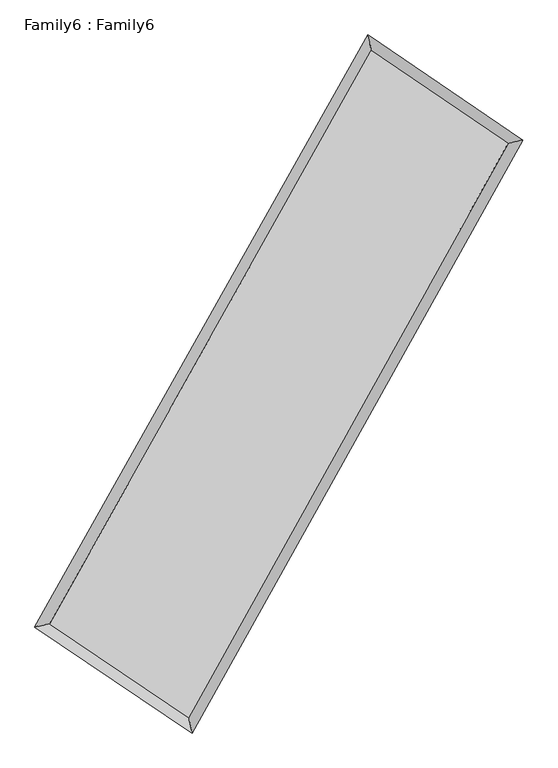
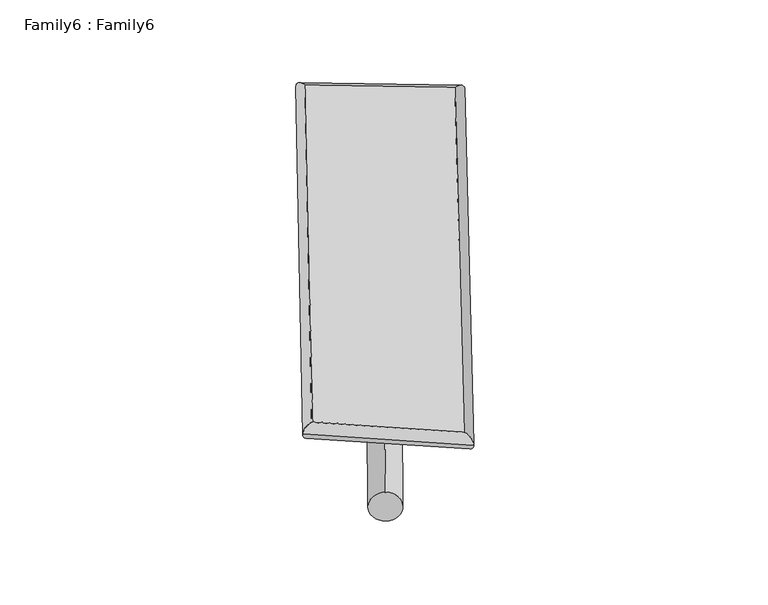
"""IFC4 building model written with IfcOpenShell, lengths in millimetres: plate geometry, Family6 : Family6."""

import ifcopenshell
import ifcopenshell.guid

model = None  # the IFC model being written
_history = None  # IfcOwnerHistory: only IFC2X3 demands one
_inside = {}  # id of a spatial element -> (the spatial element, [elements in it])
_under = {}  # id of a project, library or spatial element -> (it, [spatial elements below it])
_declared = {}  # id of a project -> (the project, [libraries it declares])
_typed = {}  # id of a type object -> (the type object, [elements of that type])
_made_of = {}  # id of a material, layer set ... -> (it, [elements and type objects made of it])


def new_model(schema):
    """Start an empty IFC model of exactly this schema.

    Asked for "IFC4X3", IfcOpenShell would pick the latest addendum, in which some entities
    have other attributes; the version numbers below select the first issue.
    IFC2X3 requires an IfcOwnerHistory on every rooted entity: one is made here for all.
    """
    global model, _history
    if schema == "IFC4X3":
        model = ifcopenshell.file(schema_version=(4, 3, 0, 0))
    else:
        model = ifcopenshell.file(schema=schema)
    _inside.clear()
    _under.clear()
    _declared.clear()
    _typed.clear()
    _made_of.clear()
    _history = None
    if model.schema == "IFC2X3":
        org = make("IfcOrganization", Name="unknown")
        user = make(
            "IfcPersonAndOrganization",
            ThePerson=make("IfcPerson", FamilyName="unknown"),
            TheOrganization=org,
        )
        app = make(
            "IfcApplication",
            ApplicationDeveloper=org,
            Version="unknown",
            ApplicationFullName="unknown",
            ApplicationIdentifier="unknown",
        )
        _history = make(
            "IfcOwnerHistory",
            OwningUser=user,
            OwningApplication=app,
            ChangeAction="ADDED",
            CreationDate=0,
        )
    return model


def make(cls, **values):
    """One entity of the class cls with the attributes given. An attribute that is None is left unset."""
    return model.create_entity(
        cls, **{name: value for name, value in values.items() if value is not None}
    )


def rooted(cls, **values):
    """An entity with a GlobalId (a new one), such as an element, a storey or a relation."""
    return make(cls, GlobalId=ifcopenshell.guid.new(), OwnerHistory=_history, **values)


def si_unit(unit_type, name, prefix=None):
    """IfcSIUnit, for example si_unit("LENGTHUNIT", "METRE", prefix="MILLI")."""
    return make("IfcSIUnit", UnitType=unit_type, Prefix=prefix, Name=name)


def assignment(units):
    """IfcUnitAssignment: the units of a project."""
    return None if units is None else make("IfcUnitAssignment", Units=units)


def point(xyz):
    """IfcCartesianPoint."""
    return None if xyz is None else make("IfcCartesianPoint", Coordinates=xyz)


def direction(xyz):
    """IfcDirection."""
    return None if xyz is None else make("IfcDirection", DirectionRatios=xyz)


def frame(location, z_axis=None, x_axis=None):
    """IfcAxis2Placement3D, a coordinate frame: its origin and axes. An axis left out is left unset."""
    return make(
        "IfcAxis2Placement3D",
        Location=point(location),
        Axis=direction(z_axis),
        RefDirection=direction(x_axis),
    )


def frame_2d(location, x_axis=None):
    """IfcAxis2Placement2D, a coordinate frame in the plane: its origin and x axis."""
    return make(
        "IfcAxis2Placement2D", Location=point(location), RefDirection=direction(x_axis)
    )


def origin():
    """The frame at (0, 0, 0) with its axes left unset."""
    return frame((0.0, 0.0, 0.0))


def origin_2d():
    """The frame at (0, 0) in the plane with its x axis left unset."""
    return frame_2d((0.0, 0.0))


def place(relative_to, where):
    """IfcLocalPlacement: puts the frame where relative to a parent placement (None: the world)."""
    return make(
        "IfcLocalPlacement", PlacementRelTo=relative_to, RelativePlacement=where
    )


def context(
    kind, dimensions, precision=None, world=None, true_north=None, identifier=None
):
    """IfcGeometricRepresentationContext, for example the 3D "Model" context."""
    return make(
        "IfcGeometricRepresentationContext",
        ContextIdentifier=identifier,
        ContextType=kind,
        CoordinateSpaceDimension=dimensions,
        Precision=precision,
        WorldCoordinateSystem=world,
        TrueNorth=true_north,
    )


def project(units=None, contexts=None):
    """IfcProject with its units and contexts."""
    return rooted(
        "IfcProject",
        Name="project",
        RepresentationContexts=contexts,
        UnitsInContext=assignment(units),
    )


def spatial(cls, under=None, at=None, **own):
    """A site, building, storey or space (cls), placed at a placement, below another one or the project."""
    s = rooted(cls, ObjectPlacement=at, **own)
    if under is not None:
        _under.setdefault(under.id(), (under, []))[1].append(s)
    return s


def circle_curve(where, radius):
    """IfcCircle in the frame where."""
    return make("IfcCircle", Position=where, Radius=radius)


def ellipse_curve(where, semi_axis1, semi_axis2):
    """IfcEllipse in the frame where."""
    return make(
        "IfcEllipse", Position=where, SemiAxis1=semi_axis1, SemiAxis2=semi_axis2
    )


def trimmed(basis, trim1, trim2, sense, master):
    """IfcTrimmedCurve: the piece of a basis curve between two trims."""
    return make(
        "IfcTrimmedCurve",
        BasisCurve=basis,
        Trim1=trim1,
        Trim2=trim2,
        SenseAgreement=sense,
        MasterRepresentation=master,
    )


def segment(curve, same_sense, transition):
    """IfcCompositeCurveSegment."""
    return make(
        "IfcCompositeCurveSegment",
        Transition=transition,
        SameSense=same_sense,
        ParentCurve=curve,
    )


def composite_curve(segments, self_intersect=None):
    """IfcCompositeCurve: segments joined end to end."""
    return make("IfcCompositeCurve", Segments=segments, SelfIntersect=self_intersect)


def outline(outer, holes=None, kind="AREA"):
    """IfcArbitraryClosedProfileDef: a profile drawn as a closed curve; with holes, ...WithVoids."""
    if holes is None:
        return make("IfcArbitraryClosedProfileDef", ProfileType=kind, OuterCurve=outer)
    return make(
        "IfcArbitraryProfileDefWithVoids",
        ProfileType=kind,
        OuterCurve=outer,
        InnerCurves=holes,
    )


def extrude(swept, where, along, depth):
    """IfcExtrudedAreaSolid: the profile swept, set in the frame where, extruded along a direction by depth."""
    return make(
        "IfcExtrudedAreaSolid",
        SweptArea=swept,
        Position=where,
        ExtrudedDirection=direction(along),
        Depth=depth,
    )


def shape(context_of_items, identifier, shape_type, items):
    """IfcShapeRepresentation: the items that make up one representation, for example the "Body"."""
    return make(
        "IfcShapeRepresentation",
        ContextOfItems=context_of_items,
        RepresentationIdentifier=identifier,
        RepresentationType=shape_type,
        Items=items,
    )


def source(mapping_origin, context_of_items, identifier, shape_type, items):
    """IfcRepresentationMap: a shape defined once, which mapped items show again and again."""
    return make(
        "IfcRepresentationMap",
        MappingOrigin=mapping_origin,
        MappedRepresentation=shape(context_of_items, identifier, shape_type, items),
    )


def transform(
    local_origin,
    x_axis=None,
    y_axis=None,
    z_axis=None,
    scale=None,
    scale2=None,
    scale3=None,
    uniform=True,
):
    """IfcCartesianTransformationOperator3D, or its non-uniform kind. x_axis, y_axis, z_axis: its Axis1, 2, 3."""
    if uniform:
        return make(
            "IfcCartesianTransformationOperator3D",
            Axis1=direction(x_axis),
            Axis2=direction(y_axis),
            LocalOrigin=point(local_origin),
            Scale=scale,
            Axis3=direction(z_axis),
        )
    return make(
        "IfcCartesianTransformationOperator3DnonUniform",
        Axis1=direction(x_axis),
        Axis2=direction(y_axis),
        LocalOrigin=point(local_origin),
        Scale=scale,
        Axis3=direction(z_axis),
        Scale2=scale2,
        Scale3=scale3,
    )


def mapped(mapping_source, mapping_target):
    """IfcMappedItem: shows the shape of a source again, moved by a transform."""
    return make(
        "IfcMappedItem", MappingSource=mapping_source, MappingTarget=mapping_target
    )


def made_of(thing, what):
    """Note that an element or type object is made of a material, layer set ...; save() writes the relation."""
    if what is not None:
        _made_of.setdefault(what.id(), (what, []))[1].append(thing)
    return thing


def element(
    cls,
    number,
    at=None,
    inside=None,
    cuts=None,
    type_object=None,
    material=None,
    context=None,
    identifier="Body",
    shape_type=None,
    held_by="IfcProductDefinitionShape",
    body=None,
    shapes=None,
    **own,
):
    """One element of the class cls, such as IfcWall. Its Tag is "e" and its number.

    at: its placement. inside: the storey or other place that contains it. cuts: it is an
    opening in that element (IfcRelVoidsElement). A single representation is given by context,
    identifier, shape_type and body (its items); several are given by shapes. held_by: the class
    of the entity that holds the representations. save() writes the other relations.
    """
    e = rooted(cls, Tag="e%d" % number, ObjectPlacement=at, **own)
    if body is not None:
        shapes = [shape(context, identifier, shape_type, body)]
    if shapes is not None:
        e.Representation = make(held_by, Representations=shapes)
    if inside is not None:
        _inside.setdefault(inside.id(), (inside, []))[1].append(e)
    if cuts is not None:
        rooted(
            "IfcRelVoidsElement", RelatingBuildingElement=cuts, RelatedOpeningElement=e
        )
    if type_object is not None:
        _typed.setdefault(type_object.id(), (type_object, []))[1].append(e)
    return made_of(e, material)


def aggregate(whole, parts):
    """IfcRelAggregates: a whole, such as a stair, and the parts it consists of."""
    return rooted("IfcRelAggregates", RelatingObject=whole, RelatedObjects=parts)


def save(model, path):
    """Write the relations noted so far, then the file.

    IfcRelAggregates (storeys below a building ...), IfcRelContainedInSpatialStructure (elements
    in a storey), IfcRelDefinesByType, IfcRelAssociatesMaterial and IfcRelDeclares: one each for
    every whole, place, type object, material and project.
    """
    for whole, parts in _under.values():
        aggregate(whole, parts)
    for where, things in _inside.values():
        rooted(
            "IfcRelContainedInSpatialStructure",
            RelatedElements=things,
            RelatingStructure=where,
        )
    for kind, things in _typed.values():
        rooted("IfcRelDefinesByType", RelatedObjects=things, RelatingType=kind)
    for what, things in _made_of.values():
        rooted("IfcRelAssociatesMaterial", RelatedObjects=things, RelatingMaterial=what)
    for by, libraries in _declared.values():
        rooted("IfcRelDeclares", RelatingContext=by, RelatedDefinitions=libraries)
    model.write(path)


def plane_surface(at):
    """IfcPlane: the flat surface through the origin of the frame at, square to its z axis."""
    return make("IfcPlane", Position=at)


def cylinder_surface(at, radius):
    """IfcCylindricalSurface: all points at the distance radius from the z axis of the frame at."""
    return make("IfcCylindricalSurface", Position=at, Radius=radius)


def spline_surface(u_degree, v_degree, points, u_multiplicities, v_multiplicities, u_knots, v_knots, weights=None):
    """IfcBSplineSurfaceWithKnots; with weights, IfcRationalBSplineSurfaceWithKnots. points: one row for each step in u."""
    own = dict(
        UDegree=u_degree,
        VDegree=v_degree,
        ControlPointsList=[[point(p) for p in row] for row in points],
        SurfaceForm="UNSPECIFIED",
        UClosed=False,
        VClosed=False,
        SelfIntersect=False,
        UMultiplicities=u_multiplicities,
        VMultiplicities=v_multiplicities,
        UKnots=u_knots,
        VKnots=v_knots,
        KnotSpec="UNSPECIFIED",
    )
    if weights is None:
        return make("IfcBSplineSurfaceWithKnots", **own)
    return make("IfcRationalBSplineSurfaceWithKnots", WeightsData=weights, **own)


def advanced_brep(points, edges, surfaces, faces):
    """IfcAdvancedBrep: a solid bounded by faces that lie on surfaces and meet in shared edges.

    An edge is (start, end): straight between two places in points (the first is 0);
    or (start, end, curve); or (start, end, curve, False) where it runs against its curve.
    A face is (place in surfaces, loops), or (place, loops, False) where it looks against
    its surface's normal. A loop lists edges by number (the first is 1), with a minus sign
    where the edge is run from its end to its start. The first loop is the outer one.
    """
    corners = [point(p) for p in points]
    vertices = [make("IfcVertexPoint", VertexGeometry=c) for c in corners]
    made = []
    for start, end, *more in edges:
        made.append(
            make(
                "IfcEdgeCurve",
                EdgeStart=vertices[start],
                EdgeEnd=vertices[end],
                EdgeGeometry=more[0] if more else make("IfcPolyline", Points=[corners[start], corners[end]]),
                SameSense=more[1] if len(more) > 1 else True,
            )
        )
    hull = []
    for where, loops, *sense in faces:
        bounds = []
        for j, loop in enumerate(loops):
            ring = [make("IfcOrientedEdge", EdgeElement=made[abs(k) - 1], Orientation=k > 0) for k in loop]
            bounds.append(
                make(
                    "IfcFaceOuterBound" if j == 0 else "IfcFaceBound",
                    Bound=make("IfcEdgeLoop", EdgeList=ring),
                    Orientation=True,
                )
            )
        hull.append(make("IfcAdvancedFace", Bounds=bounds, FaceSurface=surfaces[where], SameSense=sense[0] if sense else True))
    return make("IfcAdvancedBrep", Outer=make("IfcClosedShell", CfsFaces=hull))


def family6_family6_38c7ae86(model_context):
    return source(origin(), model_context, "Body", "SolidModel", [
        extrude(outline(composite_curve([segment(trimmed(circle_curve(origin_2d(), 76.2), [point((-75.4341514, -10.7763073))], [point((75.4341514, 10.7763073))], False, "CARTESIAN"), True, "CONTINUOUS"), segment(trimmed(circle_curve(origin_2d(), 76.2), [point((75.4341514, 10.7763073))], [point((-75.4341514, -10.7763073))], False, "CARTESIAN"), True, "CONTINUOUS")], self_intersect=False)), frame((9144.0, 9144.0, 0.0), z_axis=(0.6631072187692756, 0.6916964072961338, 0.2860854707070897), x_axis=(-0.684650023425731, 0.7149633472515238, -0.14171011788169294)), (0.0, 0.0, 1.0), 5464.224548),
        extrude(outline(composite_curve([segment(trimmed(circle_curve(origin_2d(), 76.2), [point((-53.8815367, 53.8815367))], [point((53.8815367, -53.8815367))], False, "CARTESIAN"), True, "CONTINUOUS"), segment(trimmed(circle_curve(origin_2d(), 76.2), [point((53.8815367, -53.8815367))], [point((-53.8815367, 53.8815367))], False, "CARTESIAN"), True, "CONTINUOUS")], self_intersect=False)), frame((9144.0, 9144.0, 0.0), z_axis=(-0.6656815387085111, -0.6893590523520943, 0.2857484662476631), x_axis=(0.6509991104216546, -0.3492793218794933, 0.6739466696539244)), (0.0, 0.0, 1.0), 5469.9554154),
        extrude(outline(composite_curve([segment(trimmed(circle_curve(origin_2d(), 76.2), [point((-53.8815367, -53.8815367))], [point((53.8815367, 53.8815367))], False, "CARTESIAN"), True, "CONTINUOUS"), segment(trimmed(circle_curve(origin_2d(), 76.2), [point((53.8815367, 53.8815367))], [point((-53.8815367, -53.8815367))], False, "CARTESIAN"), True, "CONTINUOUS")], self_intersect=False)), frame((9144.0, 9144.0, 0.0), z_axis=(0.25499759236502106, 0.9307311308383757, 0.26213696796972624), x_axis=(-0.8420024403189541, 0.3470213402139454, -0.4130473095579288)), (0.0, 0.0, 1.0), 5649.8425548),
        extrude(outline(composite_curve([segment(trimmed(circle_curve(origin_2d(), 76.2), [point((-75.4341514, 10.7763073))], [point((75.4341514, -10.7763073))], False, "CARTESIAN"), True, "CONTINUOUS"), segment(trimmed(circle_curve(origin_2d(), 76.2), [point((75.4341514, -10.7763073))], [point((-75.4341514, 10.7763073))], False, "CARTESIAN"), True, "CONTINUOUS")], self_intersect=False)), frame((9144.0, 9144.0, 0.0), z_axis=(-0.25194268148384014, -0.9315638498373531, 0.26213294131593207), x_axis=(0.8863935393945903, -0.11343272273393502, 0.44882013182643365)), (0.0, 0.0, 1.0), 5651.4428448),
        advanced_brep(
        [(5301.2931905, 5325.6469891, 1556.7275622), (5301.1003446, 5325.3796931, 1570.7559747), (5704.2101343, 5420.8264477, 1569.3351786), (10636.1609968, 14183.5756058, 1489.7566009), (10533.2315007, 14621.3930945, 1472.3085928), (5704.4029801, 5421.0937438, 1555.3067661), (12566.2027486, 12875.8479907, 1562.4448774), (12968.5307369, 12971.3209863, 1564.0256264), (7667.8325559, 4098.2884274, 1483.0513219), (7772.488115, 3660.3518653, 1479.8073493)],
        [
            (0, 1, ellipse_curve(frame((5502.7516624, 5373.2367184, 1563.0313704), z_axis=(-0.23032700958088229, 0.9729918491436915, 0.015373033450439106), x_axis=(-0.9726161035496232, -0.2306855335826327, 0.028321364932584595)), 207.4033295, 152.4)),
            (1, 2, ellipse_curve(frame((5502.7516624, 5373.2367184, 1563.0313704), z_axis=(-0.23032700958088229, 0.9729918491436915, 0.015373033450439106), x_axis=(-0.9726161035496232, -0.2306855335826327, 0.028321364932584595)), 207.4033295, 152.4)),
            (2, 3),
            (3, 4, ellipse_curve(frame((10584.6962487, 14402.4843501, 1481.0325968), z_axis=(-0.9731638722737835, -0.22947189347449162, -0.0171676383444773), x_axis=(0.2289810412045849, -0.9730686860911159, 0.026552117011145623)), 225.0659912, 152.4)),
            (4, 0),
            (2, 5, ellipse_curve(frame((5502.7516624, 5373.2367184, 1563.0313704), z_axis=(-0.23032700958088229, 0.9729918491436915, 0.015373033450439106), x_axis=(-0.9726161035496232, -0.2306855335826327, 0.028321364932584595)), 207.4033295, 152.4)),
            (5, 0, ellipse_curve(frame((5502.7516624, 5373.2367184, 1563.0313704), z_axis=(-0.23032700958088229, 0.9729918491436915, 0.015373033450439106), x_axis=(-0.9726161035496232, -0.2306855335826327, 0.028321364932584595)), 207.4033295, 152.4)),
            (4, 3, ellipse_curve(frame((10584.6962487, 14402.4843501, 1481.0325968), z_axis=(-0.9731638722737835, -0.22947189347449162, -0.0171676383444773), x_axis=(0.2289810412045849, -0.9730686860911159, 0.026552117011145623)), 225.0659912, 152.4)),
            (3, 6),
            (6, 7, ellipse_curve(frame((12767.3667427, 12923.5844885, 1563.2352519), z_axis=(-0.23080202846609285, 0.9728726755467085, -0.01578546263260696), x_axis=(-0.9724823132722971, -0.23117821983261314, -0.02889257772483855)), 206.8065876, 152.4)),
            (7, 4),
            (7, 6, ellipse_curve(frame((12767.3667427, 12923.5844885, 1563.2352519), z_axis=(-0.23080202846609285, 0.9728726755467085, -0.01578546263260696), x_axis=(-0.9724823132722971, -0.23117821983261314, -0.02889257772483855)), 206.8065876, 152.4)),
            (6, 8),
            (8, 9, ellipse_curve(frame((7720.1603354, 3879.3201463, 1481.4293356), z_axis=(0.9724495858879326, 0.2325141293719751, -0.01670277069173518), x_axis=(-0.23204365901919993, 0.9723556048854319, 0.026082905452940695)), 225.1873051, 152.4)),
            (9, 7),
            (9, 8, ellipse_curve(frame((7720.1603354, 3879.3201463, 1481.4293356), z_axis=(0.9724495858879326, 0.2325141293719751, -0.01670277069173518), x_axis=(-0.23204365901919993, 0.9723556048854319, 0.026082905452940695)), 225.1873051, 152.4)),
            (8, 5),
            (1, 9),
        ],
        [
            cylinder_surface(frame((5502.7516624, 5373.2367184, 1563.0313704), z_axis=(-0.4904652861346191, -0.8714247957701649, 0.007913811585652065), x_axis=(-0.8706091454807033, 0.48956444123783716, -0.048645387045886744)), 152.4),
            cylinder_surface(frame((10584.6962487, 14402.4843501, 1481.0325968), z_axis=(-0.8274608325149211, 0.560658016893159, -0.031163420016811147), x_axis=(0.561380500172542, 0.8272273824813752, -0.023383577550050015)), 152.4),
            cylinder_surface(frame((12767.3667427, 12923.5844885, 1563.2352519), z_axis=(0.4872953711977292, 0.8732014889337353, 0.007898160113279158), x_axis=(0.8732347907080205, -0.48729537119772925, -0.0020546304745733784)), 152.4),
            cylinder_surface(frame((7720.1603354, 3879.3201463, 1481.4293356), z_axis=(0.828953933799819, -0.558484339963463, -0.030506026509207116), x_axis=(-0.5580322044527526, -0.8295134194215693, 0.022528777000469007)), 152.4),
        ],
        [
            (0, [[1, 2, 3, 4, 5]]),
            (0, [[6, 7, -5, 8, -3]]),
            (1, [[-4, 9, 10, 11]]),
            (1, [[-8, -11, 12, -9]]),
            (2, [[-10, 13, 14, 15]]),
            (2, [[-12, -15, 16, -13]]),
            (3, [[-14, 17, -6, -2, 18]]),
            (3, [[-16, -18, -1, -7, -17]]),
        ],
    ),
        extrude(outline(composite_curve([segment(trimmed(circle_curve(origin_2d(), 304.8), [point((0.0, -304.8))], [point((0.0, 304.8))], False, "CARTESIAN"), True, "CONTINUOUS"), segment(trimmed(circle_curve(origin_2d(), 304.8), [point((0.0, 304.8))], [point((0.0, -304.8))], False, "CARTESIAN"), True, "CONTINUOUS")], self_intersect=False)), frame((6567.9150073, 4644.6475486, -0.0285535), z_axis=(0.4968696092172807, 0.8678252078650032, 5.5073436931962116e-06), x_axis=(-0.8678252078812417, 0.4968696092172807, 1.4650362877324611e-06)), (0.0, 0.0, 1.0), 10369.2596403),
        advanced_brep(
        [(5502.7516624, 5373.2367184, 1563.0313704), (7720.1603354, 3879.3201463, 1481.4293356), (7720.1755613, 3879.3137081, 1633.8293347), (5502.7668883, 5373.2302802, 1715.4313695), (12767.3667427, 12923.5844885, 1563.2352519), (12767.3819686, 12923.5780503, 1715.635251), (10584.6962487, 14402.4843501, 1481.0325968), (10584.7114746, 14402.4779119, 1633.4325959)],
        [
            (0, 1),
            (1, 2),
            (2, 3),
            (3, 0),
            (1, 4),
            (4, 5),
            (5, 2),
            (4, 6),
            (6, 7),
            (7, 5),
            (6, 0),
            (3, 7),
        ],
        [
            plane_surface(frame((6611.4559989, 4626.2784324, 1522.230353), z_axis=(-0.5587438629038304, -0.8293402771089865, 2.078689893580954e-05), x_axis=(0.8289539337998195, -0.5584843399634623, -0.030506026509207147))),
            plane_surface(frame((10243.7635391, 8401.4523174, 1522.3322937), z_axis=(0.8732291357233332, -0.4873098243385276, -0.00010782872492230916), x_axis=(0.4872953711977289, 0.8732014889337355, 0.00789816011327915))),
            plane_surface(frame((11676.0314957, 13663.0344193, 1522.1339243), z_axis=(0.5609310029859856, 0.8278625546824078, -2.1067837561344546e-05), x_axis=(-0.8274608325149213, 0.5606580168931585, -0.03116342001681115))),
            plane_surface(frame((8043.7239556, 9887.8605343, 1522.0319836), z_axis=(-0.8714516615771546, 0.49048138590244506, 0.00010778512577706845), x_axis=(-0.49046528613461904, -0.8714247957701646, 0.007913811585652065))),
            spline_surface(1, 1, [[(7720.1755613, 3879.3137081, 1633.8293347), (5502.7668883, 5373.2302802, 1715.4313695)], [(12767.3819686, 12923.5780503, 1715.635251), (10584.7114746, 14402.4779119, 1633.4325959)]], [2, 2], [2, 2], [0.0, 1.0], [0.0, 1.0]),
            spline_surface(1, 1, [[(10584.6962487, 14402.4843501, 1481.0325968), (5502.7516624, 5373.2367184, 1563.0313704)], [(12767.3667427, 12923.5844885, 1563.2352519), (7720.1603354, 3879.3201463, 1481.4293356)]], [2, 2], [2, 2], [0.0, 1.0], [0.0, 1.0]),
        ],
        [
            (0, [[1, 2, 3, 4]]),
            (1, [[5, 6, 7, -2]]),
            (2, [[8, 9, 10, -6]]),
            (3, [[11, -4, 12, -9]]),
            (4, [[-3, -7, -10, -12]]),
            (5, [[-11, -8, -5, -1]]),
        ],
    ),
    ])


if __name__ == "__main__":
    model = new_model("IFC4")
    model_context = context("Model", 3, world=origin())
    ifc_project = project(units=[si_unit("LENGTHUNIT", "METRE", prefix="MILLI")], contexts=[model_context])
    site = spatial("IfcSite", under=ifc_project)
    building = spatial("IfcBuilding", under=site)
    placement = place(None, origin())
    family6_family6_shape = family6_family6_38c7ae86(model_context)
    element("IfcPlate", 1, ObjectType="Family6 : Family6", at=placement, inside=building, context=model_context, shape_type="MappedRepresentation", body=[
        mapped(family6_family6_shape, transform((0.0, 0.0, 0.0), x_axis=(1.0, 0.0, 0.0), y_axis=(0.0, 1.0, 0.0), z_axis=(0.0, 0.0, 1.0))),
    ])
    save(model, "model.ifc")
